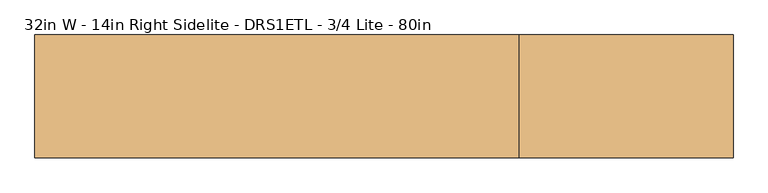
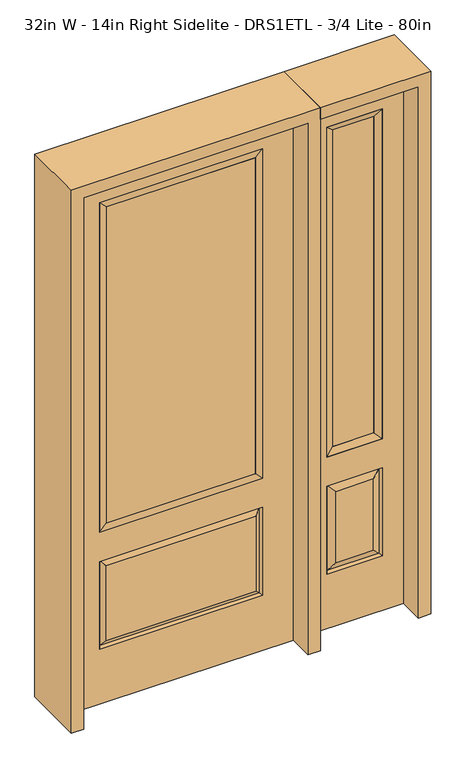
"""IFC4 building model written with IfcOpenShell, lengths in millimetres: door geometry, 32in W - 14in Right Sidelite - DRS1ETL - 3/4 Lite - 80in."""

from ifc_helpers import new_model, si_unit, frame, origin, place, context, project, spatial, polyline, outline, extrude, faceted_brep, source, transform, mapped, element, save


def door_32in_w_14in_right_sidelite_drs1etl_3_4_lite_80in_b11d0d1d(model_context):
    return source(origin(), model_context, "Body", "SolidModel", [
        faceted_brep([(450.85, -22.225, 0.0), (806.45, -22.225, 0.0), (806.45, -22.225, 2032.0), (450.85, -22.225, 2032.0), (728.98, -22.225, 1919.224), (728.98, -22.225, 657.098), (528.32, -22.225, 657.098), (528.32, -22.225, 1919.224), (728.98, -22.225, 209.55), (528.32, -22.225, 209.55), (528.32, -22.225, 546.1), (728.98, -22.225, 546.1), (560.0351001, -22.225, 241.2651001), (697.2648999, -22.225, 241.2651001), (697.2648999, -22.225, 514.3848999), (560.0351001, -22.225, 514.3848999), (450.85, 22.225, 0.0), (450.85, 22.225, 2032.0), (806.45, 22.225, 2032.0), (806.45, 22.225, 0.0), (728.98, 22.225, 1919.224), (528.32, 22.225, 1919.224), (528.32, 22.225, 657.098), (728.98, 22.225, 657.098), (528.32, 22.225, 209.55), (728.98, 22.225, 209.55), (728.98, 22.225, 546.1), (528.32, 22.225, 546.1), (697.2648999, 22.225, 241.2651001), (560.0351001, 22.225, 241.2651001), (560.0351001, 22.225, 514.3848999), (697.2648999, 22.225, 514.3848999), (721.8711499, 12.7912373, 216.6588501), (535.4288501, 12.7912373, 216.6588501), (535.4288501, 12.7912373, 538.9911499), (721.8711499, 12.7912373, 538.9911499), (535.4288501, -12.7912373, 216.6588501), (721.8711499, -12.7912373, 216.6588501), (535.4288501, -12.7912373, 538.9911499), (721.8711499, -12.7912373, 538.9911499)], [[[0, 1, 2, 3], [4, 5, 6, 7], [8, 9, 10, 11]], [[12, 13, 14, 15]], [[16, 17, 18, 19], [20, 21, 22, 23], [24, 25, 26, 27]], [[28, 29, 30, 31]], [[1, 0, 16, 19]], [[2, 1, 19, 18]], [[3, 2, 18, 17]], [[0, 3, 17, 16]], [[5, 4, 20, 23]], [[6, 5, 23, 22]], [[7, 6, 22, 21]], [[4, 7, 21, 20]], [[32, 33, 29, 28]], [[33, 32, 25, 24]], [[29, 33, 34, 30]], [[33, 24, 27, 34]], [[30, 34, 35, 31]], [[34, 27, 26, 35]], [[32, 28, 31, 35]], [[25, 32, 35, 26]], [[12, 36, 37, 13]], [[37, 36, 9, 8]], [[36, 12, 15, 38]], [[9, 36, 38, 10]], [[38, 15, 14, 39]], [[10, 38, 39, 11]], [[13, 37, 39, 14]], [[37, 8, 11, 39]]]),
        faceted_brep([(528.32, 22.225, 1919.224), (528.32, -22.225, 1919.224), (728.98, -22.225, 1919.224), (728.98, 22.225, 1919.224), (553.72, 12.7, 1893.824), (703.58, 12.7, 1893.824), (553.72, -12.7, 1893.824), (703.58, -12.7, 1893.824), (728.98, -22.225, 657.098), (728.98, 22.225, 657.098), (703.58, 12.7, 682.498), (703.58, -12.7, 682.498), (528.32, -22.225, 657.098), (528.32, 22.225, 657.098), (553.72, 12.7, 682.498), (553.72, -12.7, 682.498)], [[[0, 1, 2, 3]], [[4, 0, 3, 5]], [[6, 4, 5, 7]], [[1, 6, 7, 2]], [[3, 2, 8, 9]], [[5, 3, 9, 10]], [[7, 5, 10, 11]], [[2, 7, 11, 8]], [[9, 8, 12, 13]], [[10, 9, 13, 14]], [[11, 10, 14, 15]], [[8, 11, 15, 12]], [[13, 12, 1, 0]], [[14, 13, 0, 4]], [[15, 14, 4, 6]], [[12, 15, 6, 1]]]),
        extrude(outline(polyline([(703.58, -12.7), (553.72, -12.7), (553.72, 12.7), (703.58, 12.7), (703.58, -12.7)])), frame((0.0, 0.0, 682.498), z_axis=(0.0, 0.0, 1.0), x_axis=(1.0, 0.0, 0.0)), (0.0, 0.0, 1.0), 1211.326),
        faceted_brep([(-288.1661499, -12.7912373, 216.6588501), (288.1661499, -12.7912373, 216.6588501), (270.66875, -22.225, 234.15625), (-270.66875, -22.225, 234.15625), (-295.275, -22.225, 209.55), (295.275, -22.225, 209.55), (-288.1661499, -12.7912373, 538.9911499), (-295.275, -22.225, 546.1), (270.66875, -22.225, 521.49375), (-270.66875, -22.225, 521.49375), (406.4, -22.225, 2032.0), (-406.4, -22.225, 2032.0), (-406.4, -22.225, 0.0), (406.4, -22.225, 0.0), (295.275, -22.225, 546.1), (295.275, -22.225, 1917.7), (295.275, -22.225, 657.098), (-295.275, -22.225, 657.098), (-295.275, -22.225, 1917.7), (288.1661499, -12.7912373, 538.9911499), (-406.4, 22.225, 2032.0), (-406.4, 22.225, 0.0), (406.4, 22.225, 0.0), (406.4, 22.225, 2032.0), (295.275, 22.225, 1917.7), (295.275, 22.225, 657.098), (-295.275, 22.225, 657.098), (-295.275, 22.225, 1917.7), (-295.275, 22.225, 209.55), (295.275, 22.225, 209.55), (295.275, 22.225, 546.1), (-295.275, 22.225, 546.1), (270.66875, 22.225, 234.15625), (-270.66875, 22.225, 234.15625), (-270.66875, 22.225, 521.49375), (270.66875, 22.225, 521.49375), (-288.1661499, 12.7912373, 216.6588501), (288.1661499, 12.7912373, 216.6588501), (288.1661499, 12.7912373, 538.9911499), (-288.1661499, 12.7912373, 538.9911499)], [[[0, 1, 2, 3]], [[1, 0, 4, 5]], [[4, 0, 6, 7]], [[3, 2, 8, 9]], [[10, 11, 12, 13], [5, 4, 7, 14], [15, 16, 17, 18]], [[1, 5, 14, 19]], [[2, 1, 19, 8]], [[0, 3, 9, 6]], [[7, 6, 19, 14]], [[6, 9, 8, 19]], [[12, 11, 20, 21]], [[13, 12, 21, 22]], [[10, 13, 22, 23]], [[16, 15, 24, 25]], [[17, 16, 25, 26]], [[18, 17, 26, 27]], [[23, 22, 21, 20], [28, 29, 30, 31], [24, 27, 26, 25]], [[32, 33, 34, 35]], [[28, 36, 37, 29]], [[29, 37, 38, 30]], [[39, 31, 30, 38]], [[36, 28, 31, 39]], [[37, 36, 33, 32]], [[33, 36, 39, 34]], [[34, 39, 38, 35]], [[37, 32, 35, 38]], [[11, 10, 23, 20]], [[15, 18, 27, 24]]]),
        faceted_brep([(-295.275, -22.225, 1917.7), (-295.275, 22.225, 1917.7), (-295.275, 22.225, 657.098), (-295.275, -22.225, 657.098), (295.275, 22.225, 657.098), (295.275, -22.225, 657.098), (-269.875, 5.08, 682.498), (269.875, 5.08, 682.498), (295.275, 22.225, 1917.7), (295.275, -22.225, 1917.7), (-269.875, -20.32, 682.498), (269.875, -20.32, 682.498), (-269.875, -20.32, 1892.3), (269.875, -20.32, 1892.3), (-269.875, 5.08, 1892.3), (269.875, 5.08, 1892.3)], [[[0, 1, 2, 3]], [[3, 2, 4, 5]], [[2, 6, 7, 4]], [[5, 4, 8, 9]], [[10, 3, 5, 11]], [[12, 0, 3, 10]], [[11, 5, 9, 13]], [[6, 10, 11, 7]], [[14, 12, 10, 6]], [[7, 11, 13, 15]], [[1, 14, 6, 2]], [[4, 7, 15, 8]], [[9, 8, 1, 0]], [[13, 9, 0, 12]], [[15, 13, 12, 14]], [[8, 15, 14, 1]]]),
        extrude(outline(polyline([(269.875, -20.32), (-269.875, -20.32), (-269.875, 5.08), (269.875, 5.08), (269.875, -20.32)])), frame((0.0, 0.0, 682.498), z_axis=(0.0, 0.0, 1.0), x_axis=(1.0, 0.0, 0.0)), (0.0, 0.0, 1.0), 1209.802),
        extrude(outline(polyline([(2076.45, -450.85), (0.0, -450.85), (0.0, -406.4), (2032.0, -406.4), (2032.0, 406.4), (0.0, 406.4), (0.0, 450.85), (2076.45, 450.85), (2076.45, -450.85)])), frame((0.0, -114.3, 0.0), z_axis=(0.0, 1.0, 0.0), x_axis=(0.0, 0.0, 1.0)), (0.0, 0.0, 1.0), 228.6),
        extrude(outline(polyline([(0.0, 806.45), (0.0, 850.9), (2076.45, 850.9), (2076.45, 450.85), (2032.0, 450.85), (2032.0, 806.45), (0.0, 806.45)])), frame((0.0, -114.3, 0.0), z_axis=(0.0, 1.0, 0.0), x_axis=(0.0, 0.0, 1.0)), (0.0, 0.0, 1.0), 228.6),
    ])


if __name__ == "__main__":
    model = new_model("IFC4")
    model_context = context("Model", 3, world=origin())
    ifc_project = project(units=[si_unit("LENGTHUNIT", "METRE", prefix="MILLI")], contexts=[model_context])
    site = spatial("IfcSite", under=ifc_project)
    building = spatial("IfcBuilding", under=site)
    placement = place(None, origin())
    door_32in_w_14in_right_sidelite_drs1etl_3_4_lite_80in_shape = door_32in_w_14in_right_sidelite_drs1etl_3_4_lite_80in_b11d0d1d(model_context)
    element("IfcDoor", 1, ObjectType="32in W - 14in Right Sidelite - DRS1ETL - 3/4 Lite - 80in", at=placement, inside=building, context=model_context, shape_type="MappedRepresentation", body=[
        mapped(door_32in_w_14in_right_sidelite_drs1etl_3_4_lite_80in_shape, transform((0.0, 0.0, 0.0), x_axis=(1.0, 0.0, 0.0), y_axis=(0.0, 1.0, 0.0), z_axis=(0.0, 0.0, 1.0))),
    ])
    save(model, "model.ifc")
